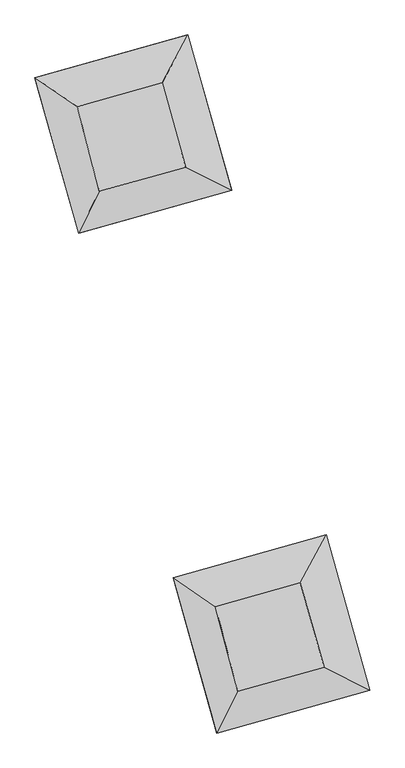
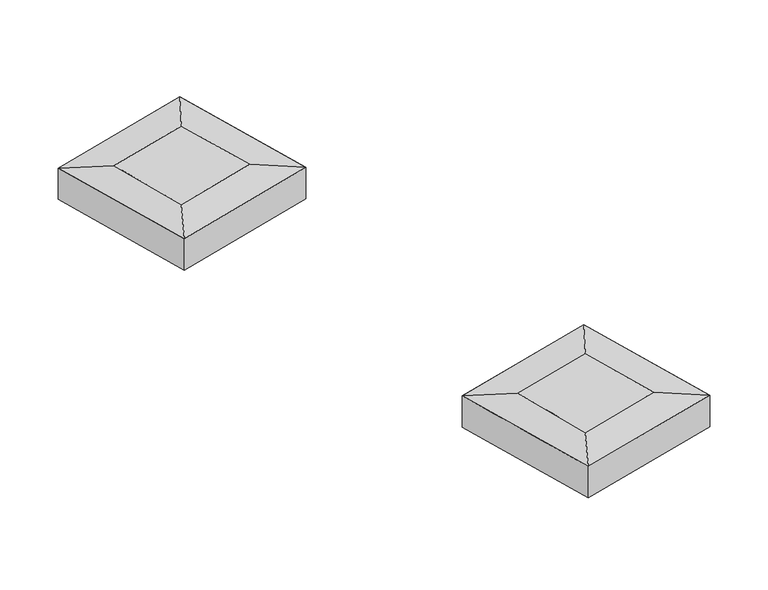
"""IFC4 building model written with IfcOpenShell, lengths in millimetres: proxy geometry."""

from ifc_helpers import new_model, si_unit, frame, origin, place, context, project, spatial, polyline, outline, extrude, source, transform, mapped, element, save
from ifc_brep_helpers import plane_surface, spline_surface, advanced_brep


def generic_models_424763e7(model_context):
    return source(origin(), model_context, "Body", "SolidModel", [
        advanced_brep(
        [(-134903.8257818, 27143.0843421, -2289.1003752), (-134493.4314442, 25575.6693674, -2289.1003752), (-132895.2126642, 26024.3304103, -2289.1003752), (-133333.0625976, 27584.0378944, -2289.1003752), (-135681.7950705, 27674.9223693, -2389.7115021), (-132854.798067, 28468.5330062, -2389.7115021), (-132049.3704116, 25599.4414615, -2389.7115021), (-134876.3674152, 24805.8308246, -2389.7115021)],
        [
            (0, 1),
            (1, 2),
            (2, 3),
            (3, 0),
            (4, 5),
            (5, 6),
            (6, 7),
            (7, 4),
            (5, 3),
            (2, 6),
            (4, 0),
            (7, 1),
        ],
        [
            plane_surface(frame((-133906.3831219, 26581.7805036, -2289.1003752), z_axis=(0.0, 0.0, 1.0), x_axis=(0.2532905978612994, -0.9673902382363931, 0.0))),
            plane_surface(frame((-133865.5827411, 26637.1819154, -2389.7115021), z_axis=(0.0, 0.0, -1.0), x_axis=(0.2532905978612994, -0.9673902382363931, 0.0))),
            plane_surface(frame((-132452.0842393, 27033.9872338, -2389.7115021), z_axis=(0.13706461395475816, 0.03847755602205552, 0.9898145125648558), x_axis=(-0.27027773668425303, 0.962782397560756, 0.0))),
            plane_surface(frame((-134268.2965687, 28071.7276878, -2389.7115021), z_axis=(-0.037287109173209494, 0.13282400840077443, 0.9904380113272392), x_axis=(-0.9627823975607545, -0.27027773668425836, 0.0))),
            spline_surface(1, 1, [[(-135681.7950705, 27674.9223693, -2389.7115021), (-134903.8257818, 27143.0843421, -2289.1003752)], [(-134876.3674152, 24805.8308246, -2389.7115021), (-134493.4314442, 25575.6693674, -2289.1003752)]], [2, 2], [2, 2], [0.0, 1.0], [0.0, 1.0]),
            plane_surface(frame((-133462.8689134, 25202.636143, -2389.7115021), z_axis=(0.042121986587279066, -0.15004679162271545, 0.9877811997449994), x_axis=(0.9627823975607538, 0.2702777366842609, 0.0))),
        ],
        [
            (0, [[1, 2, 3, 4]]),
            (1, [[5, 6, 7, 8]]),
            (2, [[-6, 9, -3, 10]]),
            (3, [[-5, 11, -4, -9]]),
            (4, [[-8, 12, -1, -11]]),
            (5, [[-7, -10, -2, -12]]),
        ],
    ),
        extrude(outline(polyline([(-134876.3674152, 24805.8308246), (-135681.7950705, 27674.9223693), (-132854.798067, 28468.5330062), (-132049.3704116, 25599.4414615), (-134876.3674152, 24805.8308246)])), frame((0.0, 0.0, -3037.7153812), z_axis=(0.0, 0.0, 1.0), x_axis=(1.0, 0.0, 0.0)), (0.0, 0.0, 1.0), 648.0251755),
        advanced_brep(
        [(-137461.4771631, 36378.6763128, -2289.1003752), (-137051.0828255, 34811.2613382, -2289.1003752), (-135452.8640455, 35259.9223811, -2289.1003752), (-135890.7139789, 36819.6298651, -2289.1003752), (-138239.4464518, 36910.51434, -2389.7115021), (-135412.4494483, 37704.1249769, -2389.7115021), (-134607.0217929, 34835.0334322, -2389.7115021), (-137434.0187965, 34041.4227953, -2389.7115021)],
        [
            (0, 1),
            (1, 2),
            (2, 3),
            (3, 0),
            (4, 5),
            (5, 6),
            (6, 7),
            (7, 4),
            (5, 3),
            (2, 6),
            (4, 0),
            (7, 1),
        ],
        [
            plane_surface(frame((-136464.0345032, 35817.3724743, -2289.1003752), z_axis=(0.0, 0.0, 1.0), x_axis=(0.2532905978612994, -0.9673902382363931, 0.0))),
            plane_surface(frame((-136423.2341224, 35872.7738861, -2389.7115021), z_axis=(0.0, 0.0, -1.0), x_axis=(0.2532905978612994, -0.9673902382363931, 0.0))),
            plane_surface(frame((-135009.7356206, 36269.5792046, -2389.7115021), z_axis=(0.13706461395475816, 0.03847755602205552, 0.9898145125648558), x_axis=(-0.27027773668425303, 0.962782397560756, 0.0))),
            plane_surface(frame((-136825.94795, 37307.3196585, -2389.7115021), z_axis=(-0.037287109173209494, 0.13282400840077443, 0.9904380113272392), x_axis=(-0.9627823975607545, -0.27027773668425836, 0.0))),
            spline_surface(1, 1, [[(-138239.4464518, 36910.51434, -2389.7115021), (-137461.4771631, 36378.6763128, -2289.1003752)], [(-137434.0187965, 34041.4227953, -2389.7115021), (-137051.0828255, 34811.2613382, -2289.1003752)]], [2, 2], [2, 2], [0.0, 1.0], [0.0, 1.0]),
            plane_surface(frame((-136020.5202947, 34438.2281138, -2389.7115021), z_axis=(0.042121986587279066, -0.15004679162271545, 0.9877811997449994), x_axis=(0.9627823975607538, 0.2702777366842609, 0.0))),
        ],
        [
            (0, [[1, 2, 3, 4]]),
            (1, [[5, 6, 7, 8]]),
            (2, [[-6, 9, -3, 10]]),
            (3, [[-5, 11, -4, -9]]),
            (4, [[-8, 12, -1, -11]]),
            (5, [[-7, -10, -2, -12]]),
        ],
    ),
        extrude(outline(polyline([(-137434.0187965, 34041.4227953), (-138239.4464518, 36910.51434), (-135412.4494483, 37704.1249769), (-134607.0217929, 34835.0334322), (-137434.0187965, 34041.4227953)])), frame((0.0, 0.0, -3037.7153812), z_axis=(0.0, 0.0, 1.0), x_axis=(1.0, 0.0, 0.0)), (0.0, 0.0, 1.0), 648.0251755),
    ])


if __name__ == "__main__":
    model = new_model("IFC4")
    model_context = context("Model", 3, world=origin())
    ifc_project = project(units=[si_unit("LENGTHUNIT", "METRE", prefix="MILLI")], contexts=[model_context])
    site = spatial("IfcSite", under=ifc_project)
    building = spatial("IfcBuilding", under=site)
    placement = place(None, origin())
    generic_models_shape = generic_models_424763e7(model_context)
    element("IfcBuildingElementProxy", 1, Name="Generic Models", at=placement, inside=building, context=model_context, shape_type="MappedRepresentation", body=[
        mapped(generic_models_shape, transform((0.0, 0.0, 0.0), x_axis=(1.0, 0.0, 0.0), y_axis=(0.0, 1.0, 0.0), z_axis=(0.0, 0.0, 1.0))),
    ])
    save(model, "model.ifc")
